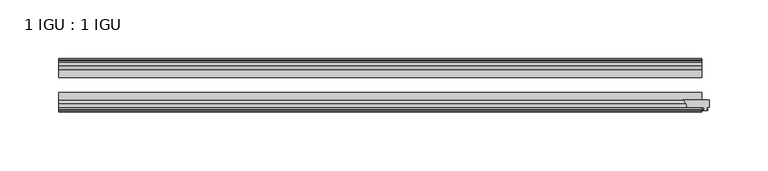
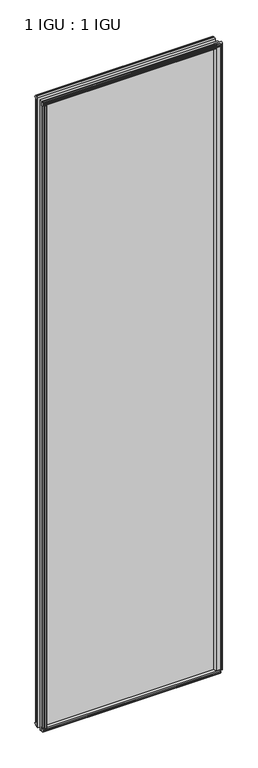
"""IFC4 building model written with IfcOpenShell, lengths in millimetres: plate geometry, 1 IGU : 1 IGU."""

import ifcopenshell
import ifcopenshell.guid

model = None  # the IFC model being written
_history = None  # IfcOwnerHistory: only IFC2X3 demands one
_inside = {}  # id of a spatial element -> (the spatial element, [elements in it])
_under = {}  # id of a project, library or spatial element -> (it, [spatial elements below it])
_declared = {}  # id of a project -> (the project, [libraries it declares])
_typed = {}  # id of a type object -> (the type object, [elements of that type])
_made_of = {}  # id of a material, layer set ... -> (it, [elements and type objects made of it])


def new_model(schema):
    """Start an empty IFC model of exactly this schema.

    Asked for "IFC4X3", IfcOpenShell would pick the latest addendum, in which some entities
    have other attributes; the version numbers below select the first issue.
    IFC2X3 requires an IfcOwnerHistory on every rooted entity: one is made here for all.
    """
    global model, _history
    if schema == "IFC4X3":
        model = ifcopenshell.file(schema_version=(4, 3, 0, 0))
    else:
        model = ifcopenshell.file(schema=schema)
    _inside.clear()
    _under.clear()
    _declared.clear()
    _typed.clear()
    _made_of.clear()
    _history = None
    if model.schema == "IFC2X3":
        org = make("IfcOrganization", Name="unknown")
        user = make(
            "IfcPersonAndOrganization",
            ThePerson=make("IfcPerson", FamilyName="unknown"),
            TheOrganization=org,
        )
        app = make(
            "IfcApplication",
            ApplicationDeveloper=org,
            Version="unknown",
            ApplicationFullName="unknown",
            ApplicationIdentifier="unknown",
        )
        _history = make(
            "IfcOwnerHistory",
            OwningUser=user,
            OwningApplication=app,
            ChangeAction="ADDED",
            CreationDate=0,
        )
    return model


def make(cls, **values):
    """One entity of the class cls with the attributes given. An attribute that is None is left unset."""
    return model.create_entity(
        cls, **{name: value for name, value in values.items() if value is not None}
    )


def rooted(cls, **values):
    """An entity with a GlobalId (a new one), such as an element, a storey or a relation."""
    return make(cls, GlobalId=ifcopenshell.guid.new(), OwnerHistory=_history, **values)


def si_unit(unit_type, name, prefix=None):
    """IfcSIUnit, for example si_unit("LENGTHUNIT", "METRE", prefix="MILLI")."""
    return make("IfcSIUnit", UnitType=unit_type, Prefix=prefix, Name=name)


def assignment(units):
    """IfcUnitAssignment: the units of a project."""
    return None if units is None else make("IfcUnitAssignment", Units=units)


def point(xyz):
    """IfcCartesianPoint."""
    return None if xyz is None else make("IfcCartesianPoint", Coordinates=xyz)


def direction(xyz):
    """IfcDirection."""
    return None if xyz is None else make("IfcDirection", DirectionRatios=xyz)


def frame(location, z_axis=None, x_axis=None):
    """IfcAxis2Placement3D, a coordinate frame: its origin and axes. An axis left out is left unset."""
    return make(
        "IfcAxis2Placement3D",
        Location=point(location),
        Axis=direction(z_axis),
        RefDirection=direction(x_axis),
    )


def frame_2d(location, x_axis=None):
    """IfcAxis2Placement2D, a coordinate frame in the plane: its origin and x axis."""
    return make(
        "IfcAxis2Placement2D", Location=point(location), RefDirection=direction(x_axis)
    )


def origin():
    """The frame at (0, 0, 0) with its axes left unset."""
    return frame((0.0, 0.0, 0.0))


def origin_with_axes():
    """The frame at (0, 0, 0) with the z axis (0, 0, 1) and the x axis (1, 0, 0) written out."""
    return frame((0.0, 0.0, 0.0), z_axis=(0.0, 0.0, 1.0), x_axis=(1.0, 0.0, 0.0))


def place(relative_to, where):
    """IfcLocalPlacement: puts the frame where relative to a parent placement (None: the world)."""
    return make(
        "IfcLocalPlacement", PlacementRelTo=relative_to, RelativePlacement=where
    )


def context(
    kind, dimensions, precision=None, world=None, true_north=None, identifier=None
):
    """IfcGeometricRepresentationContext, for example the 3D "Model" context."""
    return make(
        "IfcGeometricRepresentationContext",
        ContextIdentifier=identifier,
        ContextType=kind,
        CoordinateSpaceDimension=dimensions,
        Precision=precision,
        WorldCoordinateSystem=world,
        TrueNorth=true_north,
    )


def project(units=None, contexts=None):
    """IfcProject with its units and contexts."""
    return rooted(
        "IfcProject",
        Name="project",
        RepresentationContexts=contexts,
        UnitsInContext=assignment(units),
    )


def spatial(cls, under=None, at=None, **own):
    """A site, building, storey or space (cls), placed at a placement, below another one or the project."""
    s = rooted(cls, ObjectPlacement=at, **own)
    if under is not None:
        _under.setdefault(under.id(), (under, []))[1].append(s)
    return s


def polyline(points):
    """IfcPolyline through the points."""
    return make("IfcPolyline", Points=[point(p) for p in points])


def circle_curve(where, radius):
    """IfcCircle in the frame where."""
    return make("IfcCircle", Position=where, Radius=radius)


def trimmed(basis, trim1, trim2, sense, master):
    """IfcTrimmedCurve: the piece of a basis curve between two trims."""
    return make(
        "IfcTrimmedCurve",
        BasisCurve=basis,
        Trim1=trim1,
        Trim2=trim2,
        SenseAgreement=sense,
        MasterRepresentation=master,
    )


def segment(curve, same_sense, transition):
    """IfcCompositeCurveSegment."""
    return make(
        "IfcCompositeCurveSegment",
        Transition=transition,
        SameSense=same_sense,
        ParentCurve=curve,
    )


def composite_curve(segments, self_intersect=None):
    """IfcCompositeCurve: segments joined end to end."""
    return make("IfcCompositeCurve", Segments=segments, SelfIntersect=self_intersect)


def outline(outer, holes=None, kind="AREA"):
    """IfcArbitraryClosedProfileDef: a profile drawn as a closed curve; with holes, ...WithVoids."""
    if holes is None:
        return make("IfcArbitraryClosedProfileDef", ProfileType=kind, OuterCurve=outer)
    return make(
        "IfcArbitraryProfileDefWithVoids",
        ProfileType=kind,
        OuterCurve=outer,
        InnerCurves=holes,
    )


def extrude(swept, where, along, depth):
    """IfcExtrudedAreaSolid: the profile swept, set in the frame where, extruded along a direction by depth."""
    return make(
        "IfcExtrudedAreaSolid",
        SweptArea=swept,
        Position=where,
        ExtrudedDirection=direction(along),
        Depth=depth,
    )


def shape(context_of_items, identifier, shape_type, items):
    """IfcShapeRepresentation: the items that make up one representation, for example the "Body"."""
    return make(
        "IfcShapeRepresentation",
        ContextOfItems=context_of_items,
        RepresentationIdentifier=identifier,
        RepresentationType=shape_type,
        Items=items,
    )


def source(mapping_origin, context_of_items, identifier, shape_type, items):
    """IfcRepresentationMap: a shape defined once, which mapped items show again and again."""
    return make(
        "IfcRepresentationMap",
        MappingOrigin=mapping_origin,
        MappedRepresentation=shape(context_of_items, identifier, shape_type, items),
    )


def transform(
    local_origin,
    x_axis=None,
    y_axis=None,
    z_axis=None,
    scale=None,
    scale2=None,
    scale3=None,
    uniform=True,
):
    """IfcCartesianTransformationOperator3D, or its non-uniform kind. x_axis, y_axis, z_axis: its Axis1, 2, 3."""
    if uniform:
        return make(
            "IfcCartesianTransformationOperator3D",
            Axis1=direction(x_axis),
            Axis2=direction(y_axis),
            LocalOrigin=point(local_origin),
            Scale=scale,
            Axis3=direction(z_axis),
        )
    return make(
        "IfcCartesianTransformationOperator3DnonUniform",
        Axis1=direction(x_axis),
        Axis2=direction(y_axis),
        LocalOrigin=point(local_origin),
        Scale=scale,
        Axis3=direction(z_axis),
        Scale2=scale2,
        Scale3=scale3,
    )


def mapped(mapping_source, mapping_target):
    """IfcMappedItem: shows the shape of a source again, moved by a transform."""
    return make(
        "IfcMappedItem", MappingSource=mapping_source, MappingTarget=mapping_target
    )


def made_of(thing, what):
    """Note that an element or type object is made of a material, layer set ...; save() writes the relation."""
    if what is not None:
        _made_of.setdefault(what.id(), (what, []))[1].append(thing)
    return thing


def element(
    cls,
    number,
    at=None,
    inside=None,
    cuts=None,
    type_object=None,
    material=None,
    context=None,
    identifier="Body",
    shape_type=None,
    held_by="IfcProductDefinitionShape",
    body=None,
    shapes=None,
    **own,
):
    """One element of the class cls, such as IfcWall. Its Tag is "e" and its number.

    at: its placement. inside: the storey or other place that contains it. cuts: it is an
    opening in that element (IfcRelVoidsElement). A single representation is given by context,
    identifier, shape_type and body (its items); several are given by shapes. held_by: the class
    of the entity that holds the representations. save() writes the other relations.
    """
    e = rooted(cls, Tag="e%d" % number, ObjectPlacement=at, **own)
    if body is not None:
        shapes = [shape(context, identifier, shape_type, body)]
    if shapes is not None:
        e.Representation = make(held_by, Representations=shapes)
    if inside is not None:
        _inside.setdefault(inside.id(), (inside, []))[1].append(e)
    if cuts is not None:
        rooted(
            "IfcRelVoidsElement", RelatingBuildingElement=cuts, RelatedOpeningElement=e
        )
    if type_object is not None:
        _typed.setdefault(type_object.id(), (type_object, []))[1].append(e)
    return made_of(e, material)


def aggregate(whole, parts):
    """IfcRelAggregates: a whole, such as a stair, and the parts it consists of."""
    return rooted("IfcRelAggregates", RelatingObject=whole, RelatedObjects=parts)


def save(model, path):
    """Write the relations noted so far, then the file.

    IfcRelAggregates (storeys below a building ...), IfcRelContainedInSpatialStructure (elements
    in a storey), IfcRelDefinesByType, IfcRelAssociatesMaterial and IfcRelDeclares: one each for
    every whole, place, type object, material and project.
    """
    for whole, parts in _under.values():
        aggregate(whole, parts)
    for where, things in _inside.values():
        rooted(
            "IfcRelContainedInSpatialStructure",
            RelatedElements=things,
            RelatingStructure=where,
        )
    for kind, things in _typed.values():
        rooted("IfcRelDefinesByType", RelatedObjects=things, RelatingType=kind)
    for what, things in _made_of.values():
        rooted("IfcRelAssociatesMaterial", RelatedObjects=things, RelatingMaterial=what)
    for by, libraries in _declared.values():
        rooted("IfcRelDeclares", RelatingContext=by, RelatedDefinitions=libraries)
    model.write(path)


def plate_1_igu_1_igu_e4d6956f(model_context):
    return source(origin(), model_context, "Body", "SweptSolid", [
        extrude(outline(composite_curve([segment(polyline([(256.8614314, -44.9460938), (279.4, -44.9460938), (279.4, -51.2960938), (277.495, -51.2960938), (277.1775, -53.4006957), (278.3834059, -53.0775742), (278.3834059, -53.8927506), (276.225, -54.4710938), (274.0665941, -53.8927506), (274.0665941, -53.0775742), (275.2725, -53.4006957), (274.955, -51.2960938), (260.35, -51.2960938)]), True, "CONTINUOUS"), segment(trimmed(circle_curve(frame_2d((252.9115021, -51.2493858)), 7.4386445), [point((260.35, -51.2960938))], [point((256.8614314, -44.9460938))], True, "CARTESIAN"), True, "CONTINUOUS")], self_intersect=False)), origin_with_axes(), (0.0, 0.0, 1.0), 2031.9872998),
        extrude(outline(polyline([(258.7642137, -19.5460937), (260.8694908, -13.1960937), (266.0766852, -13.1960937), (266.4576852, -10.8158968), (265.0421562, -11.27583), (265.0421562, -10.4746158), (267.2196852, -9.7670937), (269.3972143, -10.4746158), (269.3972143, -11.27583), (267.9816852, -10.8158968), (268.3626852, -13.1960937), (272.8076852, -13.1960937), (272.8076852, -16.1419073), (270.5946077, -19.5460937), (258.7642137, -19.5460937)])), origin_with_axes(), (0.0, 0.0, 1.0), 2019.3),
        extrude(outline(polyline([(-258.7642137, -19.5460937), (-270.5946077, -19.5460937), (-272.8076852, -16.1419073), (-272.8076852, -13.1960937), (-268.3626852, -13.1960937), (-267.9816852, -10.8158968), (-269.3972143, -11.27583), (-269.3972143, -10.4746158), (-267.2196852, -9.7670937), (-265.0421562, -10.4746158), (-265.0421562, -11.27583), (-266.4576852, -10.8158968), (-266.0766852, -13.1960937), (-260.8694908, -13.1960937), (-258.7642137, -19.5460937)])), origin_with_axes(), (0.0, 0.0, 1.0), 2019.3),
        extrude(outline(polyline([(-16.1419073, -12.4576852), (-19.5460937, -10.2446077), (-19.5460937, 1.5857863), (-13.1960937, -0.5194908), (-13.1960937, -5.7266852), (-10.8158968, -6.1076852), (-11.27583, -4.6921562), (-10.4746158, -4.6921562), (-9.7670937, -6.8696852), (-10.4746158, -9.0472143), (-11.27583, -9.0472143), (-10.8158968, -7.6316852), (-13.1960937, -8.0126852), (-13.1960937, -12.4576852), (-16.1419073, -12.4576852)])), frame((-273.05, 0.0, 0.0), z_axis=(1.0, 0.0, 0.0), x_axis=(0.0, 1.0, 0.0)), (0.0, 0.0, 1.0), 546.1),
        extrude(outline(polyline([(-48.3502802, -11.938), (-51.2960937, -11.938), (-51.2960937, -7.493), (-53.6762907, -7.112), (-53.2163575, -8.5275291), (-54.0175717, -8.5275291), (-54.7250937, -6.35), (-54.0175717, -4.172471), (-53.2163575, -4.172471), (-53.6762907, -5.588), (-51.2960937, -5.207), (-51.2960937, 0.0001944), (-44.9460937, 2.1054715), (-44.9460937, -9.7249225), (-48.3502802, -11.938)])), frame((-273.05, 0.0, 0.0), z_axis=(1.0, 0.0, 0.0), x_axis=(0.0, 1.0, 0.0)), (0.0, 0.0, 1.0), 546.1),
        extrude(outline(polyline([(-16.1028367, 2031.7576852), (-13.1960937, 2031.7576852), (-13.1960937, 2027.3126852), (-10.8158968, 2026.9316852), (-11.27583, 2028.3472143), (-10.4746158, 2028.3472143), (-9.7670937, 2026.1696852), (-10.4746158, 2023.9921562), (-11.27583, 2023.9921562), (-10.8158968, 2025.4076852), (-13.1960937, 2025.0266852), (-13.1960937, 2019.7940908), (-19.5460937, 2017.6888137), (-19.5460937, 2029.5192077), (-16.1028367, 2031.7576852)])), frame((-273.05, 0.0, 0.0), z_axis=(1.0, 0.0, 0.0), x_axis=(0.0, 1.0, 0.0)), (0.0, 0.0, 1.0), 546.1),
        extrude(outline(polyline([(-48.3893508, 2031.2126), (-44.9460937, 2028.9741225), (-44.9460937, 2017.1437285), (-51.2960937, 2019.2490056), (-51.2960937, 2024.4816), (-53.6762907, 2024.8626), (-53.2163575, 2023.447071), (-54.0175717, 2023.447071), (-54.7250938, 2025.6246), (-54.0175717, 2027.8021291), (-53.2163575, 2027.8021291), (-53.6762907, 2026.3866), (-51.2960937, 2026.7676), (-51.2960937, 2031.2126), (-48.3893508, 2031.2126)])), frame((-273.05, 0.0, 0.0), z_axis=(1.0, 0.0, 0.0), x_axis=(0.0, 1.0, 0.0)), (0.0, 0.0, 1.0), 546.1),
        extrude(outline(polyline([(-258.2445285, -44.9460938), (-260.3498056, -51.2960938), (-265.557, -51.2960938), (-265.938, -53.6762907), (-264.522471, -53.2163575), (-264.522471, -54.0175717), (-266.7, -54.7250938), (-268.8775291, -54.0175717), (-268.8775291, -53.2163575), (-267.462, -53.6762907), (-267.843, -51.2960938), (-272.288, -51.2960938), (-272.288, -48.3502802), (-270.0749225, -44.9460938), (-258.2445285, -44.9460938)])), origin_with_axes(), (0.0, 0.0, 1.0), 2019.3),
        extrude(outline(polyline([(273.05, -19.5460937), (273.05, -25.8337453), (-273.05, -25.8337453), (-273.05, -19.5460937), (273.05, -19.5460937)])), frame((0.0, 0.0, -12.7), z_axis=(0.0, 0.0, 1.0), x_axis=(1.0, 0.0, 0.0)), (0.0, 0.0, 1.0), 2044.6872998),
        extrude(outline(polyline([(-273.05, -44.9460937), (-273.05, -38.6468938), (273.05, -38.6468938), (273.05, -44.9460937), (-273.05, -44.9460937)])), frame((0.0, 0.0, -12.7), z_axis=(0.0, 0.0, 1.0), x_axis=(1.0, 0.0, 0.0)), (0.0, 0.0, 1.0), 2044.6872998),
    ])


if __name__ == "__main__":
    model = new_model("IFC4")
    model_context = context("Model", 3, world=origin())
    ifc_project = project(units=[si_unit("LENGTHUNIT", "METRE", prefix="MILLI")], contexts=[model_context])
    site = spatial("IfcSite", under=ifc_project)
    building = spatial("IfcBuilding", under=site)
    placement = place(None, origin())
    plate_1_igu_1_igu_shape = plate_1_igu_1_igu_e4d6956f(model_context)
    element("IfcPlate", 1, ObjectType="1 IGU : 1 IGU", at=placement, inside=building, context=model_context, shape_type="MappedRepresentation", body=[
        mapped(plate_1_igu_1_igu_shape, transform((0.0, 0.0, 0.0), x_axis=(1.0, 0.0, 0.0), y_axis=(0.0, 1.0, 0.0), z_axis=(0.0, 0.0, 1.0))),
    ])
    save(model, "model.ifc")
